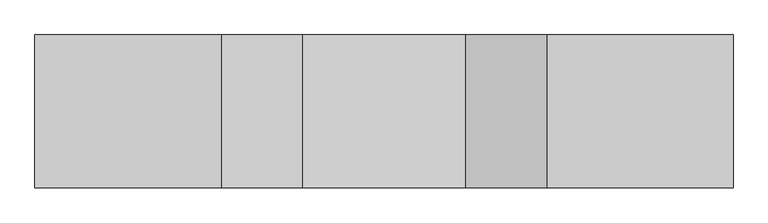
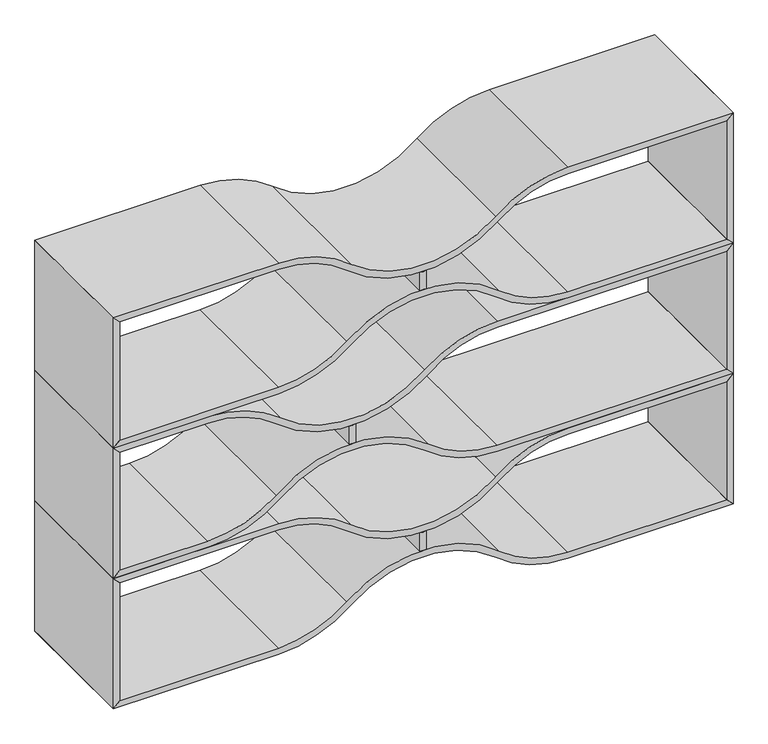
"""IFC4 building model written with IfcOpenShell, lengths in millimetres: furniture geometry."""

from ifc_helpers import new_model, si_unit, point, frame, frame_2d, origin, place, context, project, spatial, polyline, circle_curve, trimmed, segment, composite_curve, outline, extrude, source, transform, mapped, element, save


def furniture_5e74ab22(model_context):
    return source(origin(), model_context, "Body", "SweptSolid", [
        extrude(outline(composite_curve([segment(polyline([(987.2955505, 923.925), (1044.704401, 923.925)]), True, "CONTINUOUS"), segment(trimmed(circle_curve(frame_2d((1107.1305252, 914.4)), 63.1486073), [point((1044.704401, 923.925))], [point((1044.704401, 904.875))], True, "CARTESIAN"), True, "CONTINUOUS"), segment(polyline([(1044.704401, 904.875), (987.2955505, 904.875)]), True, "CONTINUOUS"), segment(trimmed(circle_curve(frame_2d((924.8694264, 914.4)), 63.1486073), [point((987.2955505, 904.875))], [point((987.2955505, 923.925))], True, "CARTESIAN"), True, "CONTINUOUS")], self_intersect=False)), frame((0.0, -400.05, 0.0), z_axis=(0.0, 1.0, 0.0), x_axis=(0.0, 0.0, 1.0)), (0.0, 0.0, 1.0), 400.05),
        extrude(outline(composite_curve([segment(polyline([(812.7999516, 1828.7603222), (831.8499516, 1809.7103222), (831.8499516, 1341.1225206)]), True, "CONTINUOUS"), segment(trimmed(circle_curve(frame_2d((1144.3017253, 1341.1225206)), 312.4517737), [point((831.8499516, 1341.1225206))], [point((905.6602518, 1139.4387135))], True, "CARTESIAN"), True, "CONTINUOUS"), segment(trimmed(circle_curve(frame_2d((639.3855572, 914.4011569)), 348.6317755), [point((905.6602518, 1139.4387135))], [point((905.1739258, 688.7894152))], False, "CARTESIAN"), True, "CONTINUOUS"), segment(trimmed(circle_curve(frame_2d((1144.3017253, 487.6824625)), 312.4517737), [point((905.1739258, 688.7894152))], [point((831.8499516, 487.6824625))], True, "CARTESIAN"), True, "CONTINUOUS"), segment(polyline([(831.8499516, 487.6824625), (831.8499516, 19.05), (812.7999516, 0.0), (812.7999516, 487.6824625)]), True, "CONTINUOUS"), segment(trimmed(circle_curve(frame_2d((1144.1966598, 487.6824625)), 331.3967082), [point((812.7999516, 487.6824625))], [point((890.332053, 700.7001604))], False, "CARTESIAN"), True, "CONTINUOUS"), segment(trimmed(circle_curve(frame_2d((635.6515321, 914.4024915)), 332.4618084), [point((890.332053, 700.7001604))], [point((890.332053, 1128.1048227))], True, "CARTESIAN"), True, "CONTINUOUS"), segment(trimmed(circle_curve(frame_2d((1144.1966598, 1341.1225206)), 331.3967082), [point((890.332053, 1128.1048227))], [point((812.7999516, 1341.1225206))], False, "CARTESIAN"), True, "CONTINUOUS"), segment(polyline([(812.7999516, 1341.1225206), (812.7999516, 1828.7603222)]), True, "CONTINUOUS")], self_intersect=False)), frame((0.0, -400.05, 0.0), z_axis=(0.0, 1.0, 0.0), x_axis=(0.0, 0.0, 1.0)), (0.0, 0.0, 1.0), 400.05),
        extrude(outline(composite_curve([segment(polyline([(1219.2, 1828.7603222), (1219.2, 1341.1181604)]), True, "CONTINUOUS"), segment(trimmed(circle_curve(frame_2d((887.8032918, 1341.1181604)), 331.3967082), [point((1219.2, 1341.1181604))], [point((1141.6678986, 1128.1004625))], False, "CARTESIAN"), True, "CONTINUOUS"), segment(trimmed(circle_curve(frame_2d((1396.3484195, 914.3981314)), 332.4618084), [point((1141.6678986, 1128.1004625))], [point((1141.6678986, 700.6958002))], True, "CARTESIAN"), True, "CONTINUOUS"), segment(trimmed(circle_curve(frame_2d((887.8032918, 487.6781023)), 331.3967082), [point((1141.6678986, 700.6958002))], [point((1219.2, 487.6781023))], False, "CARTESIAN"), True, "CONTINUOUS"), segment(polyline([(1219.2, 487.6781023), (1219.2, 0.0), (1200.15, 19.05), (1200.15, 487.6781023)]), True, "CONTINUOUS"), segment(trimmed(circle_curve(frame_2d((887.6982263, 487.6781023)), 312.4517737), [point((1200.15, 487.6781023))], [point((1126.8260257, 688.785055))], True, "CARTESIAN"), True, "CONTINUOUS"), segment(trimmed(circle_curve(frame_2d((1392.6143943, 914.3967967)), 348.6317755), [point((1126.8260257, 688.785055))], [point((1126.3396998, 1139.4343534))], False, "CARTESIAN"), True, "CONTINUOUS"), segment(trimmed(circle_curve(frame_2d((887.6982263, 1341.1181604)), 312.4517737), [point((1126.3396998, 1139.4343534))], [point((1200.15, 1341.1181604))], True, "CARTESIAN"), True, "CONTINUOUS"), segment(polyline([(1200.15, 1341.1181604), (1200.15, 1809.7103222), (1219.2, 1828.7603222)]), True, "CONTINUOUS")], self_intersect=False)), frame((0.0, -400.05, 0.0), z_axis=(0.0, 1.0, 0.0), x_axis=(0.0, 0.0, 1.0)), (0.0, 0.0, 1.0), 400.05),
        extrude(outline(composite_curve([segment(polyline([(174.4954536, 923.925), (231.9043041, 923.925)]), True, "CONTINUOUS"), segment(trimmed(circle_curve(frame_2d((294.3304283, 914.4)), 63.1486073), [point((231.9043041, 923.925))], [point((231.9043041, 904.875))], True, "CARTESIAN"), True, "CONTINUOUS"), segment(polyline([(231.9043041, 904.875), (174.4954536, 904.875)]), True, "CONTINUOUS"), segment(trimmed(circle_curve(frame_2d((112.0693295, 914.4)), 63.1486073), [point((174.4954536, 904.875))], [point((174.4954536, 923.925))], True, "CARTESIAN"), True, "CONTINUOUS")], self_intersect=False)), frame((0.0, -400.05, 0.0), z_axis=(0.0, 1.0, 0.0), x_axis=(0.0, 0.0, 1.0)), (0.0, 0.0, 1.0), 400.05),
        extrude(outline(composite_curve([segment(polyline([(-0.0001453, 1828.7603222), (19.0498547, 1809.7103222), (19.0498547, 1341.1225206)]), True, "CONTINUOUS"), segment(trimmed(circle_curve(frame_2d((331.5016284, 1341.1225206)), 312.4517737), [point((19.0498547, 1341.1225206))], [point((92.8601549, 1139.4387135))], True, "CARTESIAN"), True, "CONTINUOUS"), segment(trimmed(circle_curve(frame_2d((-173.4145397, 914.4011569)), 348.6317755), [point((92.8601549, 1139.4387135))], [point((92.3738289, 688.7894152))], False, "CARTESIAN"), True, "CONTINUOUS"), segment(trimmed(circle_curve(frame_2d((331.5016284, 487.6824625)), 312.4517737), [point((92.3738289, 688.7894152))], [point((19.0498547, 487.6824625))], True, "CARTESIAN"), True, "CONTINUOUS"), segment(polyline([(19.0498547, 487.6824625), (19.0498547, 19.05), (-0.0001453, 0.0), (-0.0001453, 487.6824625)]), True, "CONTINUOUS"), segment(trimmed(circle_curve(frame_2d((331.3965629, 487.6824625)), 331.3967082), [point((-0.0001453, 487.6824625))], [point((77.5319561, 700.7001604))], False, "CARTESIAN"), True, "CONTINUOUS"), segment(trimmed(circle_curve(frame_2d((-177.1485648, 914.4024915)), 332.4618084), [point((77.5319561, 700.7001604))], [point((77.5319561, 1128.1048227))], True, "CARTESIAN"), True, "CONTINUOUS"), segment(trimmed(circle_curve(frame_2d((331.3965629, 1341.1225206)), 331.3967082), [point((77.5319561, 1128.1048227))], [point((-0.0001453, 1341.1225206))], False, "CARTESIAN"), True, "CONTINUOUS"), segment(polyline([(-0.0001453, 1341.1225206), (-0.0001453, 1828.7603222)]), True, "CONTINUOUS")], self_intersect=False)), frame((0.0, -400.05, 0.0), z_axis=(0.0, 1.0, 0.0), x_axis=(0.0, 0.0, 1.0)), (0.0, 0.0, 1.0), 400.05),
        extrude(outline(composite_curve([segment(polyline([(406.3999031, 1828.7603222), (406.3999031, 1341.1181604)]), True, "CONTINUOUS"), segment(trimmed(circle_curve(frame_2d((75.0031949, 1341.1181604)), 331.3967082), [point((406.3999031, 1341.1181604))], [point((328.8678017, 1128.1004625))], False, "CARTESIAN"), True, "CONTINUOUS"), segment(trimmed(circle_curve(frame_2d((583.5483226, 914.3981314)), 332.4618084), [point((328.8678017, 1128.1004625))], [point((328.8678017, 700.6958002))], True, "CARTESIAN"), True, "CONTINUOUS"), segment(trimmed(circle_curve(frame_2d((75.0031949, 487.6781023)), 331.3967082), [point((328.8678017, 700.6958002))], [point((406.3999031, 487.6781023))], False, "CARTESIAN"), True, "CONTINUOUS"), segment(polyline([(406.3999031, 487.6781023), (406.3999031, 0.0), (387.3499031, 19.05), (387.3499031, 487.6781023)]), True, "CONTINUOUS"), segment(trimmed(circle_curve(frame_2d((74.8981294, 487.6781023)), 312.4517737), [point((387.3499031, 487.6781023))], [point((314.0259289, 688.785055))], True, "CARTESIAN"), True, "CONTINUOUS"), segment(trimmed(circle_curve(frame_2d((579.8142974, 914.3967967)), 348.6317755), [point((314.0259289, 688.785055))], [point((313.5396029, 1139.4343534))], False, "CARTESIAN"), True, "CONTINUOUS"), segment(trimmed(circle_curve(frame_2d((74.8981294, 1341.1181604)), 312.4517737), [point((313.5396029, 1139.4343534))], [point((387.3499031, 1341.1181604))], True, "CARTESIAN"), True, "CONTINUOUS"), segment(polyline([(387.3499031, 1341.1181604), (387.3499031, 1809.7103222), (406.3999031, 1828.7603222)]), True, "CONTINUOUS")], self_intersect=False)), frame((0.0, -400.05, 0.0), z_axis=(0.0, 1.0, 0.0), x_axis=(0.0, 0.0, 1.0)), (0.0, 0.0, 1.0), 400.05),
        extrude(outline(polyline([(387.3499031, 1809.75), (19.0498547, 1809.75), (-0.0001453, 1828.8), (406.3999031, 1828.8), (387.3499031, 1809.75)])), frame((0.0, -400.05, 0.0), z_axis=(0.0, 1.0, 0.0), x_axis=(0.0, 0.0, 1.0)), (0.0, 0.0, 1.0), 400.05),
        extrude(outline(polyline([(387.3499031, 19.05), (406.3999031, 0.0), (-0.0001453, 0.0), (19.0498547, 19.05), (387.3499031, 19.05)])), frame((0.0, -400.05, 0.0), z_axis=(0.0, 1.0, 0.0), x_axis=(0.0, 0.0, 1.0)), (0.0, 0.0, 1.0), 400.05),
        extrude(outline(composite_curve([segment(polyline([(580.8955021, 715.6053028), (638.3043526, 715.6053028)]), True, "CONTINUOUS"), segment(trimmed(circle_curve(frame_2d((700.7304767, 706.0803028)), 63.1486073), [point((638.3043526, 715.6053028))], [point((638.3043526, 696.5553028))], True, "CARTESIAN"), True, "CONTINUOUS"), segment(polyline([(638.3043526, 696.5553028), (580.8955021, 696.5553028)]), True, "CONTINUOUS"), segment(trimmed(circle_curve(frame_2d((518.4693779, 706.0803028)), 63.1486073), [point((580.8955021, 696.5553028))], [point((580.8955021, 715.6053028))], True, "CARTESIAN"), True, "CONTINUOUS")], self_intersect=False)), frame((0.0, -400.05, 0.0), z_axis=(0.0, 1.0, 0.0), x_axis=(0.0, 0.0, 1.0)), (0.0, 0.0, 1.0), 400.05),
        extrude(outline(composite_curve([segment(polyline([(406.3999031, 1828.7603222), (425.4499031, 1809.7103222), (425.4499031, 1132.8400097)]), True, "CONTINUOUS"), segment(trimmed(circle_curve(frame_2d((737.9016768, 1132.8400097)), 312.4517737), [point((425.4499031, 1132.8400097))], [point((499.2602033, 931.1562026))], True, "CARTESIAN"), True, "CONTINUOUS"), segment(trimmed(circle_curve(frame_2d((232.9855088, 706.118646)), 348.6317755), [point((499.2602033, 931.1562026))], [point((498.7738774, 480.5069043))], False, "CARTESIAN"), True, "CONTINUOUS"), segment(trimmed(circle_curve(frame_2d((737.9016768, 279.3999516)), 312.4517737), [point((498.7738774, 480.5069043))], [point((425.4499031, 279.3999516))], True, "CARTESIAN"), True, "CONTINUOUS"), segment(polyline([(425.4499031, 279.3999516), (425.4499031, 19.05), (406.3999031, 0.0), (406.3999031, 279.3999516)]), True, "CONTINUOUS"), segment(trimmed(circle_curve(frame_2d((737.7966113, 279.3999516)), 331.3967082), [point((406.3999031, 279.3999516))], [point((483.9320045, 492.4176495))], False, "CARTESIAN"), True, "CONTINUOUS"), segment(trimmed(circle_curve(frame_2d((229.2514836, 706.1199806)), 332.4618084), [point((483.9320045, 492.4176495))], [point((483.9320045, 919.8223118))], True, "CARTESIAN"), True, "CONTINUOUS"), segment(trimmed(circle_curve(frame_2d((737.7966113, 1132.8400097)), 331.3967082), [point((483.9320045, 919.8223118))], [point((406.3999031, 1132.8400097))], False, "CARTESIAN"), True, "CONTINUOUS"), segment(polyline([(406.3999031, 1132.8400097), (406.3999031, 1828.7603222)]), True, "CONTINUOUS")], self_intersect=False)), frame((0.0, -400.05, 0.0), z_axis=(0.0, 1.0, 0.0), x_axis=(0.0, 0.0, 1.0)), (0.0, 0.0, 1.0), 400.05),
        extrude(outline(composite_curve([segment(polyline([(812.7999516, 1828.7603222), (812.7999516, 1132.8400097)]), True, "CONTINUOUS"), segment(trimmed(circle_curve(frame_2d((481.4032433, 1132.8400097)), 331.3967082), [point((812.7999516, 1132.8400097))], [point((735.2678501, 919.8223118))], False, "CARTESIAN"), True, "CONTINUOUS"), segment(trimmed(circle_curve(frame_2d((989.948371, 706.1199806)), 332.4618084), [point((735.2678501, 919.8223118))], [point((735.2678501, 492.4176495))], True, "CARTESIAN"), True, "CONTINUOUS"), segment(trimmed(circle_curve(frame_2d((481.4032433, 279.3999516)), 331.3967082), [point((735.2678501, 492.4176495))], [point((812.7999516, 279.3999516))], False, "CARTESIAN"), True, "CONTINUOUS"), segment(polyline([(812.7999516, 279.3999516), (812.7999516, 0.0), (793.7499516, 19.05), (793.7499516, 279.3999516)]), True, "CONTINUOUS"), segment(trimmed(circle_curve(frame_2d((481.2981778, 279.3999516)), 312.4517737), [point((793.7499516, 279.3999516))], [point((720.4259773, 480.5069043))], True, "CARTESIAN"), True, "CONTINUOUS"), segment(trimmed(circle_curve(frame_2d((986.2143459, 706.118646)), 348.6317755), [point((720.4259773, 480.5069043))], [point((719.9396513, 931.1562026))], False, "CARTESIAN"), True, "CONTINUOUS"), segment(trimmed(circle_curve(frame_2d((481.2981778, 1132.8400097)), 312.4517737), [point((719.9396513, 931.1562026))], [point((793.7499516, 1132.8400097))], True, "CARTESIAN"), True, "CONTINUOUS"), segment(polyline([(793.7499516, 1132.8400097), (793.7499516, 1809.7103222), (812.7999516, 1828.7603222)]), True, "CONTINUOUS")], self_intersect=False)), frame((0.0, -400.05, 0.0), z_axis=(0.0, 1.0, 0.0), x_axis=(0.0, 0.0, 1.0)), (0.0, 0.0, 1.0), 400.05),
        extrude(outline(polyline([(793.7499516, 1809.75), (425.4499031, 1809.75), (406.3999031, 1828.8), (812.7999516, 1828.8), (793.7499516, 1809.75)])), frame((0.0, -400.05, 0.0), z_axis=(0.0, 1.0, 0.0), x_axis=(0.0, 0.0, 1.0)), (0.0, 0.0, 1.0), 400.05),
        extrude(outline(polyline([(793.7499516, 19.05), (812.7999516, 0.0), (406.3999031, 0.0), (425.4499031, 19.05), (793.7499516, 19.05)])), frame((0.0, -400.05, 0.0), z_axis=(0.0, 1.0, 0.0), x_axis=(0.0, 0.0, 1.0)), (0.0, 0.0, 1.0), 400.05),
        extrude(outline(polyline([(1200.15, 1809.75), (831.8499516, 1809.75), (812.7999516, 1828.8), (1219.2, 1828.8), (1200.15, 1809.75)])), frame((0.0, -400.05, 0.0), z_axis=(0.0, 1.0, 0.0), x_axis=(0.0, 0.0, 1.0)), (0.0, 0.0, 1.0), 400.05),
        extrude(outline(polyline([(1200.15, 19.05), (1219.2, 0.0), (812.7999516, 0.0), (831.8499516, 19.05), (1200.15, 19.05)])), frame((0.0, -400.05, 0.0), z_axis=(0.0, 1.0, 0.0), x_axis=(0.0, 0.0, 1.0)), (0.0, 0.0, 1.0), 400.05),
    ])


if __name__ == "__main__":
    model = new_model("IFC4")
    model_context = context("Model", 3, world=origin())
    ifc_project = project(units=[si_unit("LENGTHUNIT", "METRE", prefix="MILLI")], contexts=[model_context])
    site = spatial("IfcSite", under=ifc_project)
    building = spatial("IfcBuilding", under=site)
    placement = place(None, origin())
    furniture_shape = furniture_5e74ab22(model_context)
    element("IfcFurniture", 1, at=placement, inside=building, context=model_context, shape_type="MappedRepresentation", body=[
        mapped(furniture_shape, transform((0.0, 0.0, 0.0), x_axis=(1.0, 0.0, 0.0), y_axis=(0.0, 1.0, 0.0), z_axis=(0.0, 0.0, 1.0))),
    ])
    save(model, "model.ifc")
